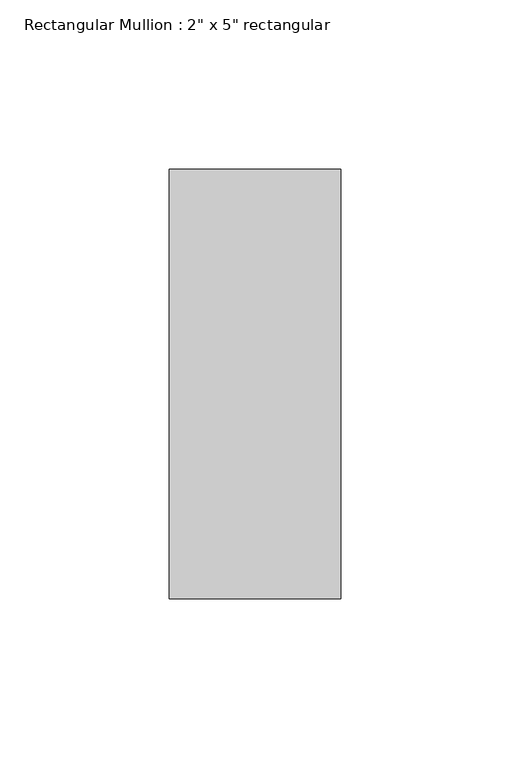
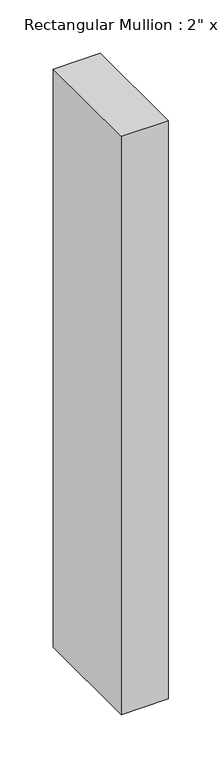
"""IFC4 building model written with IfcOpenShell, lengths in millimetres: member geometry."""

from ifc_helpers import new_model, si_unit, frame, origin, place, context, project, spatial, polyline, outline, extrude, source, transform, mapped, element, save


def member_93b6221c(model_context):
    return source(origin(), model_context, "Body", "SweptSolid", [
        extrude(outline(polyline([(25.4, 63.5), (25.4, -63.5), (-25.4, -63.5), (-25.4, 63.5), (25.4, 63.5)])), frame((0.0, 0.0, -660.4), z_axis=(0.0, 0.0, 1.0), x_axis=(1.0, 0.0, 0.0)), (0.0, 0.0, 1.0), 660.4),
    ])


if __name__ == "__main__":
    model = new_model("IFC4")
    model_context = context("Model", 3, world=origin())
    ifc_project = project(units=[si_unit("LENGTHUNIT", "METRE", prefix="MILLI")], contexts=[model_context])
    site = spatial("IfcSite", under=ifc_project)
    building = spatial("IfcBuilding", under=site)
    placement = place(None, origin())
    member_shape = member_93b6221c(model_context)
    element("IfcMember", 1, ObjectType="Rectangular Mullion : 2\" x 5\" rectangular", at=placement, inside=building, context=model_context, shape_type="MappedRepresentation", body=[
        mapped(member_shape, transform((0.0, 0.0, 0.0), x_axis=(1.0, 0.0, 0.0), y_axis=(0.0, 1.0, 0.0), z_axis=(0.0, 0.0, 1.0))),
    ])
    save(model, "model.ifc")
